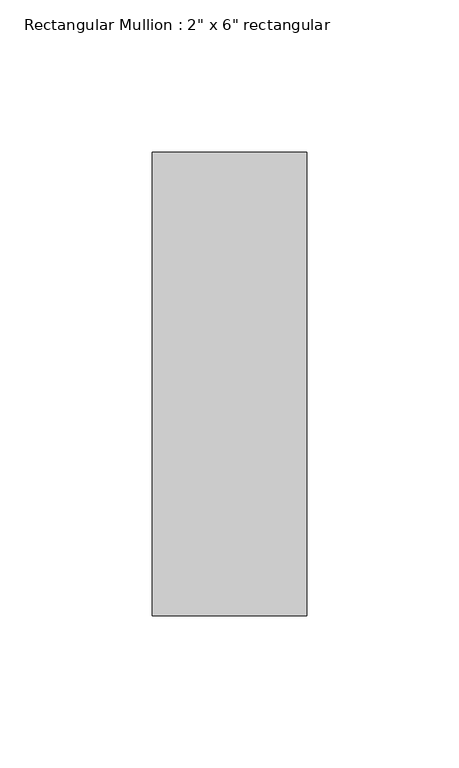
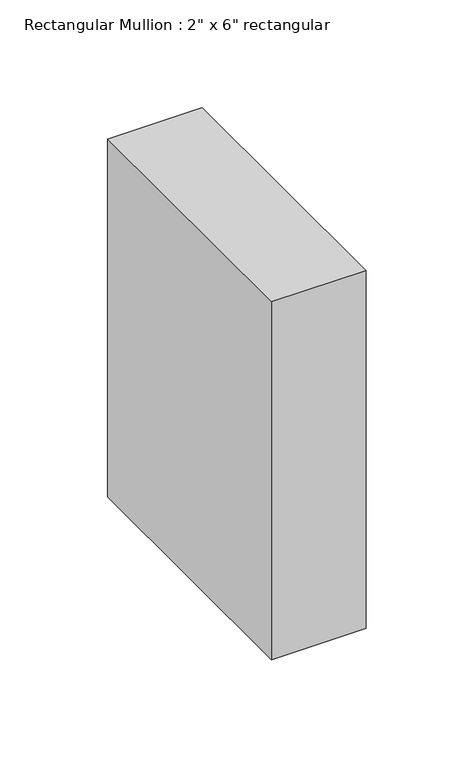
"""IFC4 building model written with IfcOpenShell, lengths in millimetres: member geometry."""

import ifcopenshell
import ifcopenshell.guid

model = None  # the IFC model being written
_history = None  # IfcOwnerHistory: only IFC2X3 demands one
_inside = {}  # id of a spatial element -> (the spatial element, [elements in it])
_under = {}  # id of a project, library or spatial element -> (it, [spatial elements below it])
_declared = {}  # id of a project -> (the project, [libraries it declares])
_typed = {}  # id of a type object -> (the type object, [elements of that type])
_made_of = {}  # id of a material, layer set ... -> (it, [elements and type objects made of it])


def new_model(schema):
    """Start an empty IFC model of exactly this schema.

    Asked for "IFC4X3", IfcOpenShell would pick the latest addendum, in which some entities
    have other attributes; the version numbers below select the first issue.
    IFC2X3 requires an IfcOwnerHistory on every rooted entity: one is made here for all.
    """
    global model, _history
    if schema == "IFC4X3":
        model = ifcopenshell.file(schema_version=(4, 3, 0, 0))
    else:
        model = ifcopenshell.file(schema=schema)
    _inside.clear()
    _under.clear()
    _declared.clear()
    _typed.clear()
    _made_of.clear()
    _history = None
    if model.schema == "IFC2X3":
        org = make("IfcOrganization", Name="unknown")
        user = make(
            "IfcPersonAndOrganization",
            ThePerson=make("IfcPerson", FamilyName="unknown"),
            TheOrganization=org,
        )
        app = make(
            "IfcApplication",
            ApplicationDeveloper=org,
            Version="unknown",
            ApplicationFullName="unknown",
            ApplicationIdentifier="unknown",
        )
        _history = make(
            "IfcOwnerHistory",
            OwningUser=user,
            OwningApplication=app,
            ChangeAction="ADDED",
            CreationDate=0,
        )
    return model


def make(cls, **values):
    """One entity of the class cls with the attributes given. An attribute that is None is left unset."""
    return model.create_entity(
        cls, **{name: value for name, value in values.items() if value is not None}
    )


def rooted(cls, **values):
    """An entity with a GlobalId (a new one), such as an element, a storey or a relation."""
    return make(cls, GlobalId=ifcopenshell.guid.new(), OwnerHistory=_history, **values)


def si_unit(unit_type, name, prefix=None):
    """IfcSIUnit, for example si_unit("LENGTHUNIT", "METRE", prefix="MILLI")."""
    return make("IfcSIUnit", UnitType=unit_type, Prefix=prefix, Name=name)


def assignment(units):
    """IfcUnitAssignment: the units of a project."""
    return None if units is None else make("IfcUnitAssignment", Units=units)


def point(xyz):
    """IfcCartesianPoint."""
    return None if xyz is None else make("IfcCartesianPoint", Coordinates=xyz)


def direction(xyz):
    """IfcDirection."""
    return None if xyz is None else make("IfcDirection", DirectionRatios=xyz)


def frame(location, z_axis=None, x_axis=None):
    """IfcAxis2Placement3D, a coordinate frame: its origin and axes. An axis left out is left unset."""
    return make(
        "IfcAxis2Placement3D",
        Location=point(location),
        Axis=direction(z_axis),
        RefDirection=direction(x_axis),
    )


def origin():
    """The frame at (0, 0, 0) with its axes left unset."""
    return frame((0.0, 0.0, 0.0))


def place(relative_to, where):
    """IfcLocalPlacement: puts the frame where relative to a parent placement (None: the world)."""
    return make(
        "IfcLocalPlacement", PlacementRelTo=relative_to, RelativePlacement=where
    )


def context(
    kind, dimensions, precision=None, world=None, true_north=None, identifier=None
):
    """IfcGeometricRepresentationContext, for example the 3D "Model" context."""
    return make(
        "IfcGeometricRepresentationContext",
        ContextIdentifier=identifier,
        ContextType=kind,
        CoordinateSpaceDimension=dimensions,
        Precision=precision,
        WorldCoordinateSystem=world,
        TrueNorth=true_north,
    )


def project(units=None, contexts=None):
    """IfcProject with its units and contexts."""
    return rooted(
        "IfcProject",
        Name="project",
        RepresentationContexts=contexts,
        UnitsInContext=assignment(units),
    )


def spatial(cls, under=None, at=None, **own):
    """A site, building, storey or space (cls), placed at a placement, below another one or the project."""
    s = rooted(cls, ObjectPlacement=at, **own)
    if under is not None:
        _under.setdefault(under.id(), (under, []))[1].append(s)
    return s


def polyline(points):
    """IfcPolyline through the points."""
    return make("IfcPolyline", Points=[point(p) for p in points])


def outline(outer, holes=None, kind="AREA"):
    """IfcArbitraryClosedProfileDef: a profile drawn as a closed curve; with holes, ...WithVoids."""
    if holes is None:
        return make("IfcArbitraryClosedProfileDef", ProfileType=kind, OuterCurve=outer)
    return make(
        "IfcArbitraryProfileDefWithVoids",
        ProfileType=kind,
        OuterCurve=outer,
        InnerCurves=holes,
    )


def extrude(swept, where, along, depth):
    """IfcExtrudedAreaSolid: the profile swept, set in the frame where, extruded along a direction by depth."""
    return make(
        "IfcExtrudedAreaSolid",
        SweptArea=swept,
        Position=where,
        ExtrudedDirection=direction(along),
        Depth=depth,
    )


def shape(context_of_items, identifier, shape_type, items):
    """IfcShapeRepresentation: the items that make up one representation, for example the "Body"."""
    return make(
        "IfcShapeRepresentation",
        ContextOfItems=context_of_items,
        RepresentationIdentifier=identifier,
        RepresentationType=shape_type,
        Items=items,
    )


def source(mapping_origin, context_of_items, identifier, shape_type, items):
    """IfcRepresentationMap: a shape defined once, which mapped items show again and again."""
    return make(
        "IfcRepresentationMap",
        MappingOrigin=mapping_origin,
        MappedRepresentation=shape(context_of_items, identifier, shape_type, items),
    )


def transform(
    local_origin,
    x_axis=None,
    y_axis=None,
    z_axis=None,
    scale=None,
    scale2=None,
    scale3=None,
    uniform=True,
):
    """IfcCartesianTransformationOperator3D, or its non-uniform kind. x_axis, y_axis, z_axis: its Axis1, 2, 3."""
    if uniform:
        return make(
            "IfcCartesianTransformationOperator3D",
            Axis1=direction(x_axis),
            Axis2=direction(y_axis),
            LocalOrigin=point(local_origin),
            Scale=scale,
            Axis3=direction(z_axis),
        )
    return make(
        "IfcCartesianTransformationOperator3DnonUniform",
        Axis1=direction(x_axis),
        Axis2=direction(y_axis),
        LocalOrigin=point(local_origin),
        Scale=scale,
        Axis3=direction(z_axis),
        Scale2=scale2,
        Scale3=scale3,
    )


def mapped(mapping_source, mapping_target):
    """IfcMappedItem: shows the shape of a source again, moved by a transform."""
    return make(
        "IfcMappedItem", MappingSource=mapping_source, MappingTarget=mapping_target
    )


def made_of(thing, what):
    """Note that an element or type object is made of a material, layer set ...; save() writes the relation."""
    if what is not None:
        _made_of.setdefault(what.id(), (what, []))[1].append(thing)
    return thing


def element(
    cls,
    number,
    at=None,
    inside=None,
    cuts=None,
    type_object=None,
    material=None,
    context=None,
    identifier="Body",
    shape_type=None,
    held_by="IfcProductDefinitionShape",
    body=None,
    shapes=None,
    **own,
):
    """One element of the class cls, such as IfcWall. Its Tag is "e" and its number.

    at: its placement. inside: the storey or other place that contains it. cuts: it is an
    opening in that element (IfcRelVoidsElement). A single representation is given by context,
    identifier, shape_type and body (its items); several are given by shapes. held_by: the class
    of the entity that holds the representations. save() writes the other relations.
    """
    e = rooted(cls, Tag="e%d" % number, ObjectPlacement=at, **own)
    if body is not None:
        shapes = [shape(context, identifier, shape_type, body)]
    if shapes is not None:
        e.Representation = make(held_by, Representations=shapes)
    if inside is not None:
        _inside.setdefault(inside.id(), (inside, []))[1].append(e)
    if cuts is not None:
        rooted(
            "IfcRelVoidsElement", RelatingBuildingElement=cuts, RelatedOpeningElement=e
        )
    if type_object is not None:
        _typed.setdefault(type_object.id(), (type_object, []))[1].append(e)
    return made_of(e, material)


def aggregate(whole, parts):
    """IfcRelAggregates: a whole, such as a stair, and the parts it consists of."""
    return rooted("IfcRelAggregates", RelatingObject=whole, RelatedObjects=parts)


def save(model, path):
    """Write the relations noted so far, then the file.

    IfcRelAggregates (storeys below a building ...), IfcRelContainedInSpatialStructure (elements
    in a storey), IfcRelDefinesByType, IfcRelAssociatesMaterial and IfcRelDeclares: one each for
    every whole, place, type object, material and project.
    """
    for whole, parts in _under.values():
        aggregate(whole, parts)
    for where, things in _inside.values():
        rooted(
            "IfcRelContainedInSpatialStructure",
            RelatedElements=things,
            RelatingStructure=where,
        )
    for kind, things in _typed.values():
        rooted("IfcRelDefinesByType", RelatedObjects=things, RelatingType=kind)
    for what, things in _made_of.values():
        rooted("IfcRelAssociatesMaterial", RelatedObjects=things, RelatingMaterial=what)
    for by, libraries in _declared.values():
        rooted("IfcRelDeclares", RelatingContext=by, RelatedDefinitions=libraries)
    model.write(path)


def member_6fa91f5d(model_context):
    return source(origin(), model_context, "Body", "SweptSolid", [
        extrude(outline(polyline([(25.4, 76.2), (25.4, -76.2), (-25.4, -76.2), (-25.4, 76.2), (25.4, 76.2)])), frame((0.0, 0.0, -203.2), z_axis=(0.0, 0.0, 1.0), x_axis=(1.0, 0.0, 0.0)), (0.0, 0.0, 1.0), 203.2),
    ])


if __name__ == "__main__":
    model = new_model("IFC4")
    model_context = context("Model", 3, world=origin())
    ifc_project = project(units=[si_unit("LENGTHUNIT", "METRE", prefix="MILLI")], contexts=[model_context])
    site = spatial("IfcSite", under=ifc_project)
    building = spatial("IfcBuilding", under=site)
    placement = place(None, origin())
    member_shape = member_6fa91f5d(model_context)
    element("IfcMember", 1, ObjectType="Rectangular Mullion : 2\" x 6\" rectangular", at=placement, inside=building, context=model_context, shape_type="MappedRepresentation", body=[
        mapped(member_shape, transform((0.0, 0.0, 0.0), x_axis=(1.0, 0.0, 0.0), y_axis=(0.0, 1.0, 0.0), z_axis=(0.0, 0.0, 1.0))),
    ])
    save(model, "model.ifc")
